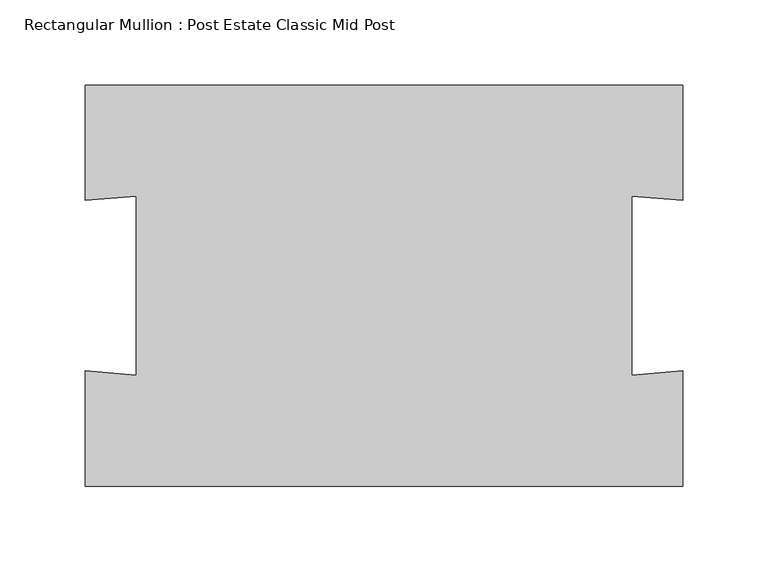
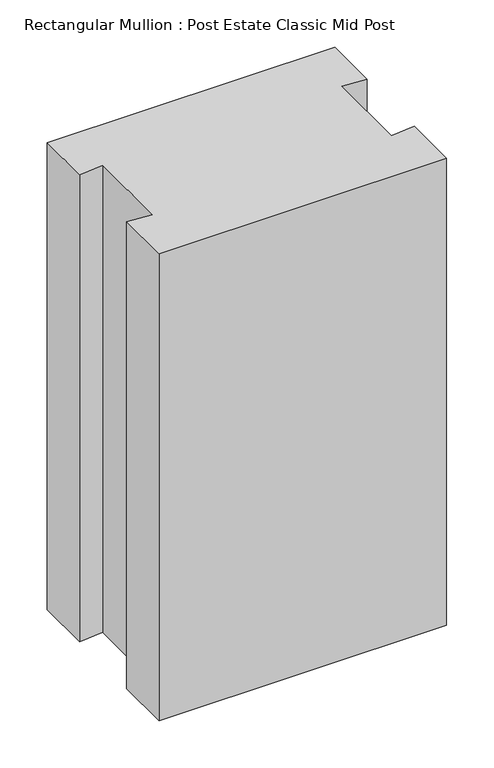
"""IFC4 building model written with IfcOpenShell, lengths in millimetres: member geometry, Rectangular Mullion : Post Estate Classic Mid Post."""

from ifc_helpers import new_model, si_unit, frame, origin, place, context, project, spatial, polyline, outline, extrude, source, transform, mapped, element, save


def rectangular_mullion_post_estate_classic_mid_post_d044342b(model_context):
    return source(origin(), model_context, "Body", "SweptSolid", [
        extrude(outline(polyline([(-175.0, 117.3653397), (175.0, 117.3653397), (175.0, 49.8853277), (145.1141591, 52.5), (145.1141591, -52.5), (175.0, -49.8853277), (175.0, -117.4347283), (-175.0, -117.4347283), (-175.0, -49.8853277), (-145.1141591, -52.5), (-145.1141591, 52.5), (-175.0, 49.8853277), (-175.0, 117.3653397)])), frame((0.0, 0.0, -600.0), z_axis=(0.0, 0.0, 1.0), x_axis=(1.0, 0.0, 0.0)), (0.0, 0.0, 1.0), 600.0),
    ])


if __name__ == "__main__":
    model = new_model("IFC4")
    model_context = context("Model", 3, world=origin())
    ifc_project = project(units=[si_unit("LENGTHUNIT", "METRE", prefix="MILLI")], contexts=[model_context])
    site = spatial("IfcSite", under=ifc_project)
    building = spatial("IfcBuilding", under=site)
    placement = place(None, origin())
    rectangular_mullion_post_estate_classic_mid_post_shape = rectangular_mullion_post_estate_classic_mid_post_d044342b(model_context)
    element("IfcMember", 1, ObjectType="Rectangular Mullion : Post Estate Classic Mid Post", at=placement, inside=building, context=model_context, shape_type="MappedRepresentation", body=[
        mapped(rectangular_mullion_post_estate_classic_mid_post_shape, transform((0.0, 0.0, 0.0), x_axis=(1.0, 0.0, 0.0), y_axis=(0.0, 1.0, 0.0), z_axis=(0.0, 0.0, 1.0))),
    ])
    save(model, "model.ifc")
